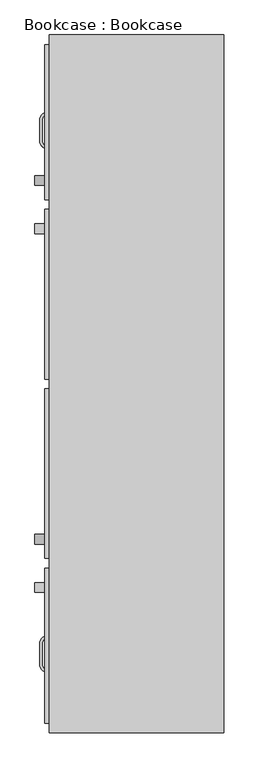
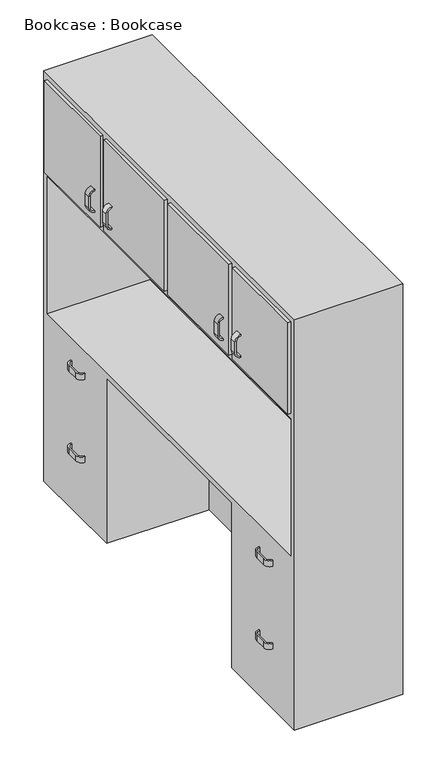
"""IFC4 building model written with IfcOpenShell, lengths in millimetres: furniture geometry, Bookcase : Bookcase."""

from ifc_helpers import new_model, si_unit, point, frame, frame_2d, origin, place, context, project, spatial, polyline, circle_curve, trimmed, segment, composite_curve, outline, extrude, faceted_brep, source, transform, mapped, element, save


def bookcase_bookcase_30379e55(model_context):
    return source(origin(), model_context, "Body", "SolidModel", [
        extrude(outline(polyline([(-228.6, 8.3710981), (-228.6, 452.8710981), (-215.9, 452.8710981), (-215.9, 8.3710981), (-228.6, 8.3710981)])), frame((0.0, 0.0, 1397.0), z_axis=(0.0, 0.0, 1.0), x_axis=(1.0, 0.0, 0.0)), (0.0, 0.0, 1.0), 406.4),
        extrude(outline(polyline([(-228.6, -461.5289019), (-228.6, -17.0289019), (-215.9, -17.0289019), (-215.9, -461.5289019), (-228.6, -461.5289019)])), frame((0.0, 0.0, 1397.0), z_axis=(0.0, 0.0, 1.0), x_axis=(1.0, 0.0, 0.0)), (0.0, 0.0, 1.0), 406.4),
        extrude(outline(polyline([(-228.6, -893.3289019), (-228.6, -486.9289019), (-215.9, -486.9289019), (-215.9, -893.3289019), (-228.6, -893.3289019)])), frame((0.0, 0.0, 1397.0), z_axis=(0.0, 0.0, 1.0), x_axis=(1.0, 0.0, 0.0)), (0.0, 0.0, 1.0), 406.4),
        extrude(outline(polyline([(-228.6, 478.2710981), (-228.6, 884.6710981), (-215.9, 884.6710981), (-215.9, 478.2710981), (-228.6, 478.2710981)])), frame((0.0, 0.0, 1397.0), z_axis=(0.0, 0.0, 1.0), x_axis=(1.0, 0.0, 0.0)), (0.0, 0.0, 1.0), 406.4),
        extrude(outline(composite_curve([segment(trimmed(circle_curve(frame_2d((-215.9, -686.1820917)), 25.4), [point((-241.3, -686.1820917))], [point((-215.9, -660.7820917))], False, "CARTESIAN"), True, "CONTINUOUS"), segment(polyline([(-215.9, -660.7820917), (-215.9, -667.1320917)]), True, "CONTINUOUS"), segment(trimmed(circle_curve(frame_2d((-215.9, -686.1820917)), 19.05), [point((-215.9, -667.1320917))], [point((-234.95, -686.1820917))], True, "CARTESIAN"), True, "CONTINUOUS"), segment(polyline([(-234.95, -686.1820917), (-234.95, -736.9820917)]), True, "CONTINUOUS"), segment(trimmed(circle_curve(frame_2d((-215.9, -736.9820917)), 19.05), [point((-234.95, -736.9820917))], [point((-215.9, -756.0320917))], True, "CARTESIAN"), True, "CONTINUOUS"), segment(polyline([(-215.9, -756.0320917), (-215.9, -762.3820917)]), True, "CONTINUOUS"), segment(trimmed(circle_curve(frame_2d((-215.9, -736.9820917)), 25.4), [point((-215.9, -762.3820917))], [point((-241.3, -736.9820917))], False, "CARTESIAN"), True, "CONTINUOUS"), segment(polyline([(-241.3, -736.9820917), (-241.3, -686.1820917)]), True, "CONTINUOUS")], self_intersect=False)), frame((0.0, 0.0, 266.9011355), z_axis=(0.0, 0.0, 1.0), x_axis=(1.0, 0.0, 0.0)), (0.0, 0.0, 1.0), 25.0236577),
        extrude(outline(composite_curve([segment(trimmed(circle_curve(frame_2d((-215.9, -686.1820917)), 25.4), [point((-241.3, -686.1820917))], [point((-215.9, -660.7820917))], False, "CARTESIAN"), True, "CONTINUOUS"), segment(polyline([(-215.9, -660.7820917), (-215.9, -667.1320917)]), True, "CONTINUOUS"), segment(trimmed(circle_curve(frame_2d((-215.9, -686.1820917)), 19.05), [point((-215.9, -667.1320917))], [point((-234.95, -686.1820917))], True, "CARTESIAN"), True, "CONTINUOUS"), segment(polyline([(-234.95, -686.1820917), (-234.95, -736.9820917)]), True, "CONTINUOUS"), segment(trimmed(circle_curve(frame_2d((-215.9, -736.9820917)), 19.05), [point((-234.95, -736.9820917))], [point((-215.9, -756.0320917))], True, "CARTESIAN"), True, "CONTINUOUS"), segment(polyline([(-215.9, -756.0320917), (-215.9, -762.3820917)]), True, "CONTINUOUS"), segment(trimmed(circle_curve(frame_2d((-215.9, -736.9820917)), 25.4), [point((-215.9, -762.3820917))], [point((-241.3, -736.9820917))], False, "CARTESIAN"), True, "CONTINUOUS"), segment(polyline([(-241.3, -736.9820917), (-241.3, -686.1820917)]), True, "CONTINUOUS")], self_intersect=False)), frame((0.0, 0.0, 636.0613784), z_axis=(0.0, 0.0, 1.0), x_axis=(1.0, 0.0, 0.0)), (0.0, 0.0, 1.0), 25.6830473),
        extrude(outline(composite_curve([segment(trimmed(circle_curve(frame_2d((-215.9, 685.4179083)), 25.4), [point((-241.3, 685.4179083))], [point((-215.9, 710.8179083))], False, "CARTESIAN"), True, "CONTINUOUS"), segment(polyline([(-215.9, 710.8179083), (-215.9, 704.4679083)]), True, "CONTINUOUS"), segment(trimmed(circle_curve(frame_2d((-215.9, 685.4179083)), 19.05), [point((-215.9, 704.4679083))], [point((-234.95, 685.4179083))], True, "CARTESIAN"), True, "CONTINUOUS"), segment(polyline([(-234.95, 685.4179083), (-234.95, 634.6179083)]), True, "CONTINUOUS"), segment(trimmed(circle_curve(frame_2d((-215.9, 634.6179083)), 19.05), [point((-234.95, 634.6179083))], [point((-215.9, 615.5679083))], True, "CARTESIAN"), True, "CONTINUOUS"), segment(polyline([(-215.9, 615.5679083), (-215.9, 609.2179083)]), True, "CONTINUOUS"), segment(trimmed(circle_curve(frame_2d((-215.9, 634.6179083)), 25.4), [point((-215.9, 609.2179083))], [point((-241.3, 634.6179083))], False, "CARTESIAN"), True, "CONTINUOUS"), segment(polyline([(-241.3, 634.6179083), (-241.3, 685.4179083)]), True, "CONTINUOUS")], self_intersect=False)), frame((0.0, 0.0, 266.9011355), z_axis=(0.0, 0.0, 1.0), x_axis=(1.0, 0.0, 0.0)), (0.0, 0.0, 1.0), 25.0236577),
        extrude(outline(composite_curve([segment(trimmed(circle_curve(frame_2d((-215.9, 685.4179083)), 25.4), [point((-241.3, 685.4179083))], [point((-215.9, 710.8179083))], False, "CARTESIAN"), True, "CONTINUOUS"), segment(polyline([(-215.9, 710.8179083), (-215.9, 704.4679083)]), True, "CONTINUOUS"), segment(trimmed(circle_curve(frame_2d((-215.9, 685.4179083)), 19.05), [point((-215.9, 704.4679083))], [point((-234.95, 685.4179083))], True, "CARTESIAN"), True, "CONTINUOUS"), segment(polyline([(-234.95, 685.4179083), (-234.95, 634.6179083)]), True, "CONTINUOUS"), segment(trimmed(circle_curve(frame_2d((-215.9, 634.6179083)), 19.05), [point((-234.95, 634.6179083))], [point((-215.9, 615.5679083))], True, "CARTESIAN"), True, "CONTINUOUS"), segment(polyline([(-215.9, 615.5679083), (-215.9, 609.2179083)]), True, "CONTINUOUS"), segment(trimmed(circle_curve(frame_2d((-215.9, 634.6179083)), 25.4), [point((-215.9, 609.2179083))], [point((-241.3, 634.6179083))], False, "CARTESIAN"), True, "CONTINUOUS"), segment(polyline([(-241.3, 634.6179083), (-241.3, 685.4179083)]), True, "CONTINUOUS")], self_intersect=False)), frame((0.0, 0.0, 636.0613784), z_axis=(0.0, 0.0, 1.0), x_axis=(1.0, 0.0, 0.0)), (0.0, 0.0, 1.0), 25.6830473),
        faceted_brep([(241.3, -918.7289019, 1828.8), (241.3, 910.0710981, 1828.8), (-215.9, 910.0710981, 1828.8), (-215.9, -918.7289019, 1828.8), (241.3, -918.7289019, 0.0), (-215.9, -918.7289019, 0.0), (-215.9, -461.5289019, 0.0), (215.9, -461.5289019, 0.0), (215.9, 452.8710981, 0.0), (-215.9, 452.8710981, 0.0), (-215.9, 910.0710981, 0.0), (241.3, 910.0710981, 0.0), (-215.9, 452.8710981, 736.9244184), (-215.9, -461.5289019, 736.9244184), (-215.9, -893.3289019, 1371.6), (-215.9, -893.3289019, 762.0), (-215.9, 884.6710981, 762.0), (-215.9, 884.6710981, 1371.6), (215.9, 452.8710981, 736.9244184), (215.9, -461.5289019, 736.9244184), (215.9, -893.3289019, 1371.6), (215.9, 884.6710981, 1371.6), (215.9, 884.6710981, 762.0), (215.9, -893.3289019, 762.0)], [[[0, 1, 2, 3]], [[4, 5, 6, 7, 8, 9, 10, 11]], [[3, 5, 4, 0]], [[2, 10, 9, 12, 13, 6, 5, 3], [14, 15, 16, 17]], [[1, 11, 10, 2]], [[0, 4, 11, 1]], [[13, 12, 18, 19]], [[12, 9, 8, 18]], [[18, 8, 7, 19]], [[19, 7, 6, 13]], [[20, 14, 17, 21]], [[22, 16, 15, 23]], [[21, 17, 16, 22]], [[21, 22, 23, 20]], [[23, 15, 14, 20]]]),
        extrude(outline(composite_curve([segment(polyline([(1518.724273, -254.0), (1467.924273, -254.0)]), True, "CONTINUOUS"), segment(trimmed(circle_curve(frame_2d((1467.924273, -228.6)), 25.4), [point((1467.924273, -254.0))], [point((1442.524273, -228.6))], False, "CARTESIAN"), True, "CONTINUOUS"), segment(polyline([(1442.524273, -228.6), (1448.874273, -228.6)]), True, "CONTINUOUS"), segment(trimmed(circle_curve(frame_2d((1467.924273, -228.6)), 19.05), [point((1448.874273, -228.6))], [point((1467.924273, -247.65))], True, "CARTESIAN"), True, "CONTINUOUS"), segment(polyline([(1467.924273, -247.65), (1518.724273, -247.65)]), True, "CONTINUOUS"), segment(trimmed(circle_curve(frame_2d((1518.724273, -228.6)), 19.05), [point((1518.724273, -247.65))], [point((1537.774273, -228.6))], True, "CARTESIAN"), True, "CONTINUOUS"), segment(polyline([(1537.774273, -228.6), (1544.124273, -228.6)]), True, "CONTINUOUS"), segment(trimmed(circle_curve(frame_2d((1518.724273, -228.6)), 25.4), [point((1544.124273, -228.6))], [point((1518.724273, -254.0))], False, "CARTESIAN"), True, "CONTINUOUS")], self_intersect=False)), frame((0.0, 515.9349286, 0.0), z_axis=(0.0, 1.0, 0.0), x_axis=(0.0, 0.0, 1.0)), (0.0, 0.0, 1.0), 25.6830473),
        extrude(outline(composite_curve([segment(polyline([(1518.724273, -254.0), (1467.924273, -254.0)]), True, "CONTINUOUS"), segment(trimmed(circle_curve(frame_2d((1467.924273, -228.6)), 25.4), [point((1467.924273, -254.0))], [point((1442.524273, -228.6))], False, "CARTESIAN"), True, "CONTINUOUS"), segment(polyline([(1442.524273, -228.6), (1448.874273, -228.6)]), True, "CONTINUOUS"), segment(trimmed(circle_curve(frame_2d((1467.924273, -228.6)), 19.05), [point((1448.874273, -228.6))], [point((1467.924273, -247.65))], True, "CARTESIAN"), True, "CONTINUOUS"), segment(polyline([(1467.924273, -247.65), (1518.724273, -247.65)]), True, "CONTINUOUS"), segment(trimmed(circle_curve(frame_2d((1518.724273, -228.6)), 19.05), [point((1518.724273, -247.65))], [point((1537.774273, -228.6))], True, "CARTESIAN"), True, "CONTINUOUS"), segment(polyline([(1537.774273, -228.6), (1544.124273, -228.6)]), True, "CONTINUOUS"), segment(trimmed(circle_curve(frame_2d((1518.724273, -228.6)), 25.4), [point((1544.124273, -228.6))], [point((1518.724273, -254.0))], False, "CARTESIAN"), True, "CONTINUOUS")], self_intersect=False)), frame((0.0, 389.5242204, 0.0), z_axis=(0.0, 1.0, 0.0), x_axis=(0.0, 0.0, 1.0)), (0.0, 0.0, 1.0), 25.6830473),
        extrude(outline(composite_curve([segment(polyline([(1518.724273, -254.0), (1467.924273, -254.0)]), True, "CONTINUOUS"), segment(trimmed(circle_curve(frame_2d((1467.924273, -228.6)), 25.4), [point((1467.924273, -254.0))], [point((1442.524273, -228.6))], False, "CARTESIAN"), True, "CONTINUOUS"), segment(polyline([(1442.524273, -228.6), (1448.874273, -228.6)]), True, "CONTINUOUS"), segment(trimmed(circle_curve(frame_2d((1467.924273, -228.6)), 19.05), [point((1448.874273, -228.6))], [point((1467.924273, -247.65))], True, "CARTESIAN"), True, "CONTINUOUS"), segment(polyline([(1467.924273, -247.65), (1518.724273, -247.65)]), True, "CONTINUOUS"), segment(trimmed(circle_curve(frame_2d((1518.724273, -228.6)), 19.05), [point((1518.724273, -247.65))], [point((1537.774273, -228.6))], True, "CARTESIAN"), True, "CONTINUOUS"), segment(polyline([(1537.774273, -228.6), (1544.124273, -228.6)]), True, "CONTINUOUS"), segment(trimmed(circle_curve(frame_2d((1518.724273, -228.6)), 25.4), [point((1544.124273, -228.6))], [point((1518.724273, -254.0))], False, "CARTESIAN"), True, "CONTINUOUS")], self_intersect=False)), frame((0.0, -423.8650714, 0.0), z_axis=(0.0, 1.0, 0.0), x_axis=(0.0, 0.0, 1.0)), (0.0, 0.0, 1.0), 25.6830473),
        extrude(outline(composite_curve([segment(polyline([(1518.724273, -254.0), (1467.924273, -254.0)]), True, "CONTINUOUS"), segment(trimmed(circle_curve(frame_2d((1467.924273, -228.6)), 25.4), [point((1467.924273, -254.0))], [point((1442.524273, -228.6))], False, "CARTESIAN"), True, "CONTINUOUS"), segment(polyline([(1442.524273, -228.6), (1448.874273, -228.6)]), True, "CONTINUOUS"), segment(trimmed(circle_curve(frame_2d((1467.924273, -228.6)), 19.05), [point((1448.874273, -228.6))], [point((1467.924273, -247.65))], True, "CARTESIAN"), True, "CONTINUOUS"), segment(polyline([(1467.924273, -247.65), (1518.724273, -247.65)]), True, "CONTINUOUS"), segment(trimmed(circle_curve(frame_2d((1518.724273, -228.6)), 19.05), [point((1518.724273, -247.65))], [point((1537.774273, -228.6))], True, "CARTESIAN"), True, "CONTINUOUS"), segment(polyline([(1537.774273, -228.6), (1544.124273, -228.6)]), True, "CONTINUOUS"), segment(trimmed(circle_curve(frame_2d((1518.724273, -228.6)), 25.4), [point((1544.124273, -228.6))], [point((1518.724273, -254.0))], False, "CARTESIAN"), True, "CONTINUOUS")], self_intersect=False)), frame((0.0, -550.2757796, 0.0), z_axis=(0.0, 1.0, 0.0), x_axis=(0.0, 0.0, 1.0)), (0.0, 0.0, 1.0), 25.6830473),
    ])


if __name__ == "__main__":
    model = new_model("IFC4")
    model_context = context("Model", 3, world=origin())
    ifc_project = project(units=[si_unit("LENGTHUNIT", "METRE", prefix="MILLI")], contexts=[model_context])
    site = spatial("IfcSite", under=ifc_project)
    building = spatial("IfcBuilding", under=site)
    placement = place(None, origin())
    bookcase_bookcase_shape = bookcase_bookcase_30379e55(model_context)
    element("IfcFurniture", 1, ObjectType="Bookcase : Bookcase", at=placement, inside=building, context=model_context, shape_type="MappedRepresentation", body=[
        mapped(bookcase_bookcase_shape, transform((0.0, 0.0, 0.0), x_axis=(1.0, 0.0, 0.0), y_axis=(0.0, 1.0, 0.0), z_axis=(0.0, 0.0, 1.0))),
    ])
    save(model, "model.ifc")
